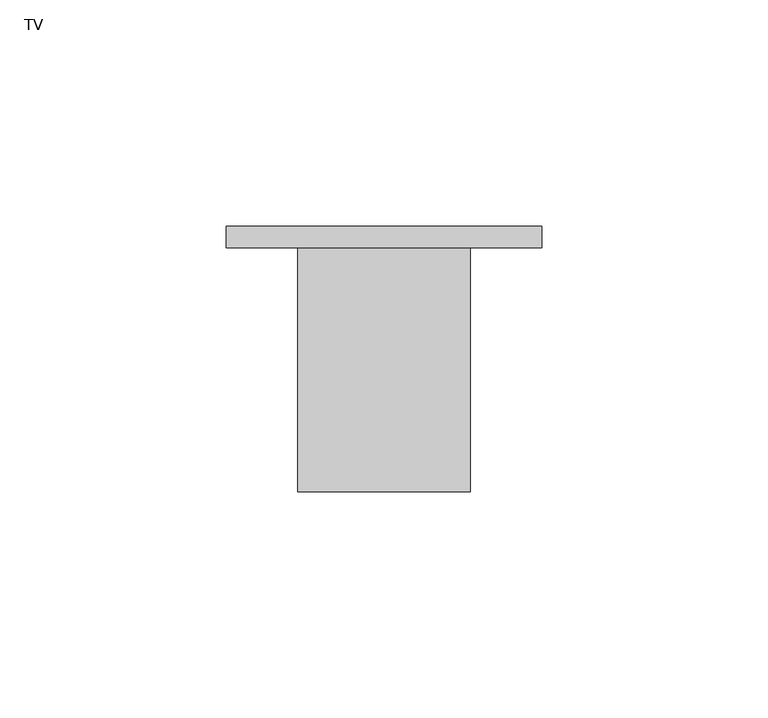
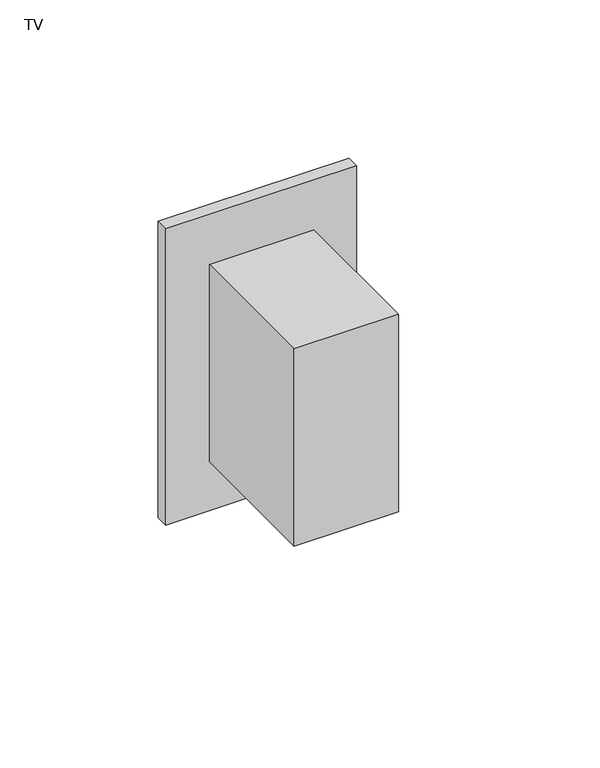
"""IFC4 building model written with IfcOpenShell, lengths in millimetres: proxy geometry, TV."""

from ifc_helpers import new_model, si_unit, frame, origin, place, context, project, spatial, polyline, outline, extrude, source, transform, mapped, element, save


def tv_49971fe9(model_context):
    return source(origin(), model_context, "Body", "SweptSolid", [
        extrude(outline(polyline([(-34.925, 4.7625), (34.925, 4.7625), (34.925, 0.0), (-34.925, 0.0), (-34.925, 4.7625)])), frame((0.0, 0.0, 400.05), z_axis=(0.0, 0.0, 1.0), x_axis=(1.0, 0.0, 0.0)), (0.0, 0.0, 1.0), 114.3),
        extrude(outline(polyline([(-19.05, 0.0), (19.05, 0.0), (19.05, -53.975), (-19.05, -53.975), (-19.05, 0.0)])), frame((0.0, 0.0, 419.1), z_axis=(0.0, 0.0, 1.0), x_axis=(1.0, 0.0, 0.0)), (0.0, 0.0, 1.0), 76.2),
    ])


if __name__ == "__main__":
    model = new_model("IFC4")
    model_context = context("Model", 3, world=origin())
    ifc_project = project(units=[si_unit("LENGTHUNIT", "METRE", prefix="MILLI")], contexts=[model_context])
    site = spatial("IfcSite", under=ifc_project)
    building = spatial("IfcBuilding", under=site)
    placement = place(None, origin())
    tv_shape = tv_49971fe9(model_context)
    element("IfcBuildingElementProxy", 1, Name="TV", ObjectType="TV", at=placement, inside=building, context=model_context, shape_type="MappedRepresentation", body=[
        mapped(tv_shape, transform((0.0, 0.0, 0.0), x_axis=(1.0, 0.0, 0.0), y_axis=(0.0, 1.0, 0.0), z_axis=(0.0, 0.0, 1.0))),
    ])
    save(model, "model.ifc")
